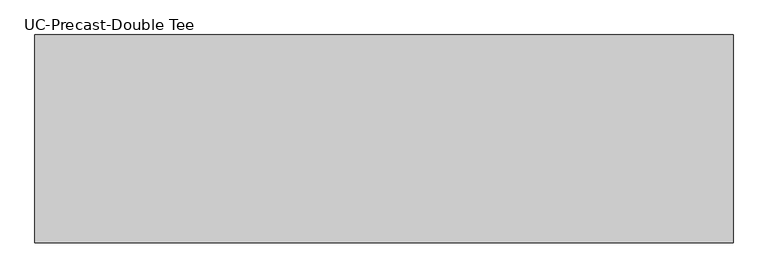
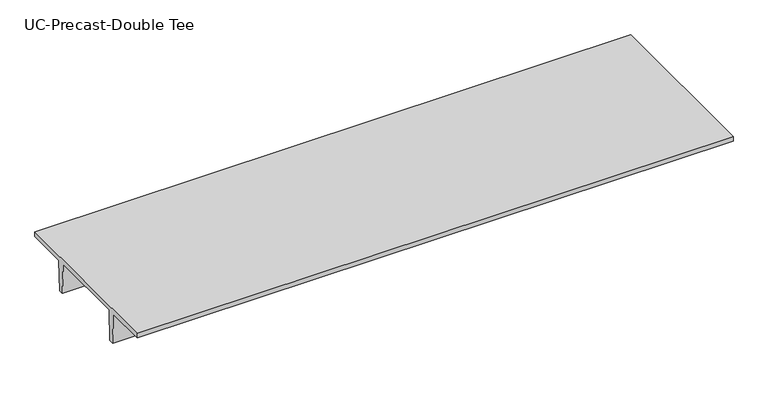
"""IFC4 building model written with IfcOpenShell, lengths in millimetres: beam geometry, UC-Precast-Double Tee."""

from ifc_helpers import new_model, si_unit, frame, origin, place, context, project, spatial, polyline, outline, extrude, source, transform, mapped, element, save


def uc_precast_double_tee_ea2d3d77(model_context):
    return source(origin(), model_context, "Body", "SweptSolid", [
        extrude(outline(polyline([(1866.9, 381.0), (1866.9, 279.4), (990.6, 279.4), (965.2, -381.0), (863.6, -381.0), (838.2, 279.4), (-838.2, 279.4), (-863.6, -381.0), (-965.2, -381.0), (-990.6, 279.4), (-1866.9, 279.4), (-1866.9, 381.0), (1866.9, 381.0)])), frame((-6045.2, 0.0, 0.0), z_axis=(1.0, 0.0, 0.0), x_axis=(0.0, 1.0, 0.0)), (0.0, 0.0, 1.0), 12547.6),
    ])


if __name__ == "__main__":
    model = new_model("IFC4")
    model_context = context("Model", 3, world=origin())
    ifc_project = project(units=[si_unit("LENGTHUNIT", "METRE", prefix="MILLI")], contexts=[model_context])
    site = spatial("IfcSite", under=ifc_project)
    building = spatial("IfcBuilding", under=site)
    placement = place(None, origin())
    uc_precast_double_tee_shape = uc_precast_double_tee_ea2d3d77(model_context)
    element("IfcBeam", 1, ObjectType="UC-Precast-Double Tee", at=placement, inside=building, context=model_context, shape_type="MappedRepresentation", body=[
        mapped(uc_precast_double_tee_shape, transform((0.0, 0.0, 0.0), x_axis=(1.0, 0.0, 0.0), y_axis=(0.0, 1.0, 0.0), z_axis=(0.0, 0.0, 1.0))),
    ])
    save(model, "model.ifc")
